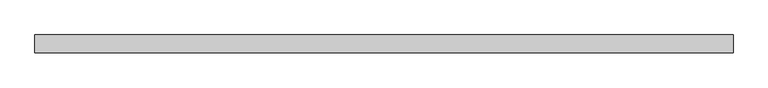
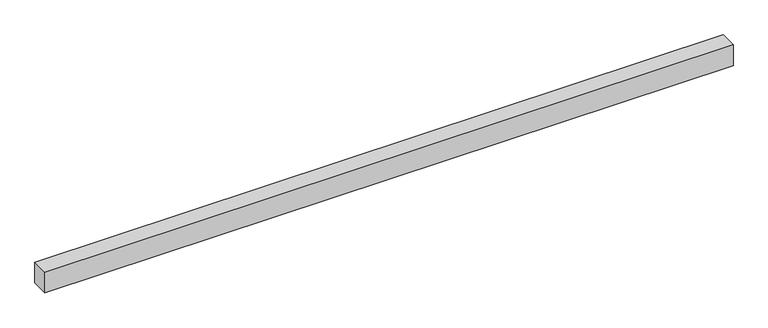
"""IFC4 building model written with IfcOpenShell, lengths in millimetres: proxy geometry."""

import ifcopenshell
import ifcopenshell.guid

model = None  # the IFC model being written
_history = None  # IfcOwnerHistory: only IFC2X3 demands one
_inside = {}  # id of a spatial element -> (the spatial element, [elements in it])
_under = {}  # id of a project, library or spatial element -> (it, [spatial elements below it])
_declared = {}  # id of a project -> (the project, [libraries it declares])
_typed = {}  # id of a type object -> (the type object, [elements of that type])
_made_of = {}  # id of a material, layer set ... -> (it, [elements and type objects made of it])


def new_model(schema):
    """Start an empty IFC model of exactly this schema.

    Asked for "IFC4X3", IfcOpenShell would pick the latest addendum, in which some entities
    have other attributes; the version numbers below select the first issue.
    IFC2X3 requires an IfcOwnerHistory on every rooted entity: one is made here for all.
    """
    global model, _history
    if schema == "IFC4X3":
        model = ifcopenshell.file(schema_version=(4, 3, 0, 0))
    else:
        model = ifcopenshell.file(schema=schema)
    _inside.clear()
    _under.clear()
    _declared.clear()
    _typed.clear()
    _made_of.clear()
    _history = None
    if model.schema == "IFC2X3":
        org = make("IfcOrganization", Name="unknown")
        user = make(
            "IfcPersonAndOrganization",
            ThePerson=make("IfcPerson", FamilyName="unknown"),
            TheOrganization=org,
        )
        app = make(
            "IfcApplication",
            ApplicationDeveloper=org,
            Version="unknown",
            ApplicationFullName="unknown",
            ApplicationIdentifier="unknown",
        )
        _history = make(
            "IfcOwnerHistory",
            OwningUser=user,
            OwningApplication=app,
            ChangeAction="ADDED",
            CreationDate=0,
        )
    return model


def make(cls, **values):
    """One entity of the class cls with the attributes given. An attribute that is None is left unset."""
    return model.create_entity(
        cls, **{name: value for name, value in values.items() if value is not None}
    )


def rooted(cls, **values):
    """An entity with a GlobalId (a new one), such as an element, a storey or a relation."""
    return make(cls, GlobalId=ifcopenshell.guid.new(), OwnerHistory=_history, **values)


def si_unit(unit_type, name, prefix=None):
    """IfcSIUnit, for example si_unit("LENGTHUNIT", "METRE", prefix="MILLI")."""
    return make("IfcSIUnit", UnitType=unit_type, Prefix=prefix, Name=name)


def assignment(units):
    """IfcUnitAssignment: the units of a project."""
    return None if units is None else make("IfcUnitAssignment", Units=units)


def point(xyz):
    """IfcCartesianPoint."""
    return None if xyz is None else make("IfcCartesianPoint", Coordinates=xyz)


def direction(xyz):
    """IfcDirection."""
    return None if xyz is None else make("IfcDirection", DirectionRatios=xyz)


def frame(location, z_axis=None, x_axis=None):
    """IfcAxis2Placement3D, a coordinate frame: its origin and axes. An axis left out is left unset."""
    return make(
        "IfcAxis2Placement3D",
        Location=point(location),
        Axis=direction(z_axis),
        RefDirection=direction(x_axis),
    )


def origin():
    """The frame at (0, 0, 0) with its axes left unset."""
    return frame((0.0, 0.0, 0.0))


def place(relative_to, where):
    """IfcLocalPlacement: puts the frame where relative to a parent placement (None: the world)."""
    return make(
        "IfcLocalPlacement", PlacementRelTo=relative_to, RelativePlacement=where
    )


def context(
    kind, dimensions, precision=None, world=None, true_north=None, identifier=None
):
    """IfcGeometricRepresentationContext, for example the 3D "Model" context."""
    return make(
        "IfcGeometricRepresentationContext",
        ContextIdentifier=identifier,
        ContextType=kind,
        CoordinateSpaceDimension=dimensions,
        Precision=precision,
        WorldCoordinateSystem=world,
        TrueNorth=true_north,
    )


def project(units=None, contexts=None):
    """IfcProject with its units and contexts."""
    return rooted(
        "IfcProject",
        Name="project",
        RepresentationContexts=contexts,
        UnitsInContext=assignment(units),
    )


def spatial(cls, under=None, at=None, **own):
    """A site, building, storey or space (cls), placed at a placement, below another one or the project."""
    s = rooted(cls, ObjectPlacement=at, **own)
    if under is not None:
        _under.setdefault(under.id(), (under, []))[1].append(s)
    return s


def polyline(points):
    """IfcPolyline through the points."""
    return make("IfcPolyline", Points=[point(p) for p in points])


def outline(outer, holes=None, kind="AREA"):
    """IfcArbitraryClosedProfileDef: a profile drawn as a closed curve; with holes, ...WithVoids."""
    if holes is None:
        return make("IfcArbitraryClosedProfileDef", ProfileType=kind, OuterCurve=outer)
    return make(
        "IfcArbitraryProfileDefWithVoids",
        ProfileType=kind,
        OuterCurve=outer,
        InnerCurves=holes,
    )


def extrude(swept, where, along, depth):
    """IfcExtrudedAreaSolid: the profile swept, set in the frame where, extruded along a direction by depth."""
    return make(
        "IfcExtrudedAreaSolid",
        SweptArea=swept,
        Position=where,
        ExtrudedDirection=direction(along),
        Depth=depth,
    )


def shape(context_of_items, identifier, shape_type, items):
    """IfcShapeRepresentation: the items that make up one representation, for example the "Body"."""
    return make(
        "IfcShapeRepresentation",
        ContextOfItems=context_of_items,
        RepresentationIdentifier=identifier,
        RepresentationType=shape_type,
        Items=items,
    )


def source(mapping_origin, context_of_items, identifier, shape_type, items):
    """IfcRepresentationMap: a shape defined once, which mapped items show again and again."""
    return make(
        "IfcRepresentationMap",
        MappingOrigin=mapping_origin,
        MappedRepresentation=shape(context_of_items, identifier, shape_type, items),
    )


def transform(
    local_origin,
    x_axis=None,
    y_axis=None,
    z_axis=None,
    scale=None,
    scale2=None,
    scale3=None,
    uniform=True,
):
    """IfcCartesianTransformationOperator3D, or its non-uniform kind. x_axis, y_axis, z_axis: its Axis1, 2, 3."""
    if uniform:
        return make(
            "IfcCartesianTransformationOperator3D",
            Axis1=direction(x_axis),
            Axis2=direction(y_axis),
            LocalOrigin=point(local_origin),
            Scale=scale,
            Axis3=direction(z_axis),
        )
    return make(
        "IfcCartesianTransformationOperator3DnonUniform",
        Axis1=direction(x_axis),
        Axis2=direction(y_axis),
        LocalOrigin=point(local_origin),
        Scale=scale,
        Axis3=direction(z_axis),
        Scale2=scale2,
        Scale3=scale3,
    )


def mapped(mapping_source, mapping_target):
    """IfcMappedItem: shows the shape of a source again, moved by a transform."""
    return make(
        "IfcMappedItem", MappingSource=mapping_source, MappingTarget=mapping_target
    )


def made_of(thing, what):
    """Note that an element or type object is made of a material, layer set ...; save() writes the relation."""
    if what is not None:
        _made_of.setdefault(what.id(), (what, []))[1].append(thing)
    return thing


def element(
    cls,
    number,
    at=None,
    inside=None,
    cuts=None,
    type_object=None,
    material=None,
    context=None,
    identifier="Body",
    shape_type=None,
    held_by="IfcProductDefinitionShape",
    body=None,
    shapes=None,
    **own,
):
    """One element of the class cls, such as IfcWall. Its Tag is "e" and its number.

    at: its placement. inside: the storey or other place that contains it. cuts: it is an
    opening in that element (IfcRelVoidsElement). A single representation is given by context,
    identifier, shape_type and body (its items); several are given by shapes. held_by: the class
    of the entity that holds the representations. save() writes the other relations.
    """
    e = rooted(cls, Tag="e%d" % number, ObjectPlacement=at, **own)
    if body is not None:
        shapes = [shape(context, identifier, shape_type, body)]
    if shapes is not None:
        e.Representation = make(held_by, Representations=shapes)
    if inside is not None:
        _inside.setdefault(inside.id(), (inside, []))[1].append(e)
    if cuts is not None:
        rooted(
            "IfcRelVoidsElement", RelatingBuildingElement=cuts, RelatedOpeningElement=e
        )
    if type_object is not None:
        _typed.setdefault(type_object.id(), (type_object, []))[1].append(e)
    return made_of(e, material)


def aggregate(whole, parts):
    """IfcRelAggregates: a whole, such as a stair, and the parts it consists of."""
    return rooted("IfcRelAggregates", RelatingObject=whole, RelatedObjects=parts)


def save(model, path):
    """Write the relations noted so far, then the file.

    IfcRelAggregates (storeys below a building ...), IfcRelContainedInSpatialStructure (elements
    in a storey), IfcRelDefinesByType, IfcRelAssociatesMaterial and IfcRelDeclares: one each for
    every whole, place, type object, material and project.
    """
    for whole, parts in _under.values():
        aggregate(whole, parts)
    for where, things in _inside.values():
        rooted(
            "IfcRelContainedInSpatialStructure",
            RelatedElements=things,
            RelatingStructure=where,
        )
    for kind, things in _typed.values():
        rooted("IfcRelDefinesByType", RelatedObjects=things, RelatingType=kind)
    for what, things in _made_of.values():
        rooted("IfcRelAssociatesMaterial", RelatedObjects=things, RelatingMaterial=what)
    for by, libraries in _declared.values():
        rooted("IfcRelDeclares", RelatingContext=by, RelatedDefinitions=libraries)
    model.write(path)


def generic_models_1965b6da(model_context):
    return source(origin(), model_context, "Body", "SweptSolid", [
        extrude(outline(polyline([(40.0, 0.0), (-40.0, 0.0), (-40.0, 3150.0), (40.0, 3150.0), (40.0, 0.0)])), frame((3150.0, 0.0, 0.0), z_axis=(0.0, -1.9783474858313244e-12, 1.0), x_axis=(0.0, 1.0, 1.9783474858313244e-12)), (0.0, 0.0, 1.0), 100.0),
    ])


if __name__ == "__main__":
    model = new_model("IFC4")
    model_context = context("Model", 3, world=origin())
    ifc_project = project(units=[si_unit("LENGTHUNIT", "METRE", prefix="MILLI")], contexts=[model_context])
    site = spatial("IfcSite", under=ifc_project)
    building = spatial("IfcBuilding", under=site)
    placement = place(None, origin())
    generic_models_shape = generic_models_1965b6da(model_context)
    element("IfcBuildingElementProxy", 1, Name="Generic Models", at=placement, inside=building, context=model_context, shape_type="MappedRepresentation", body=[
        mapped(generic_models_shape, transform((0.0, 0.0, 0.0), x_axis=(1.0, 0.0, 0.0), y_axis=(0.0, 1.0, 0.0), z_axis=(0.0, 0.0, 1.0))),
    ])
    save(model, "model.ifc")
